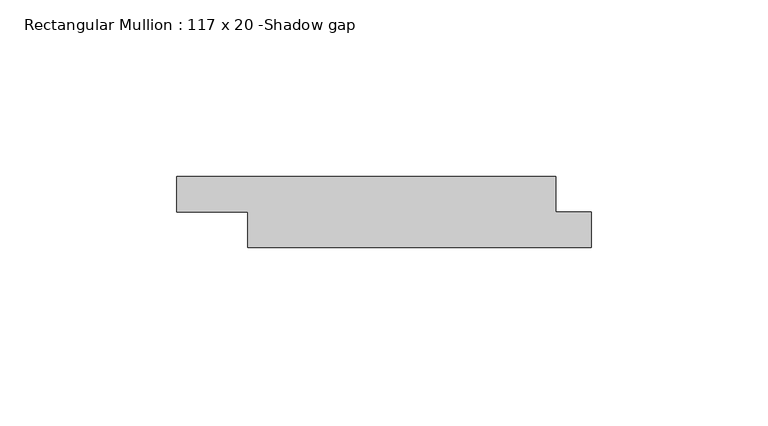
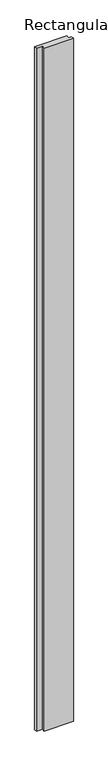
"""IFC4 building model written with IfcOpenShell, lengths in millimetres: member geometry, Rectangular Mullion : 117 x 20 -Shadow gap."""

from ifc_helpers import new_model, si_unit, frame, origin, place, context, project, spatial, polyline, outline, extrude, source, transform, mapped, element, save


def rectangular_mullion_117_x_20_shadow_gap_ce150d39(model_context):
    return source(origin(), model_context, "Body", "SweptSolid", [
        extrude(outline(polyline([(-117.0, -10.0), (-117.0, 0.0), (-10.0, 0.0), (-10.0, -10.0), (0.0, -10.0), (0.0, -20.0), (-97.0, -20.0), (-97.0, -10.0), (-117.0, -10.0)])), frame((0.0, 0.0, -2400.0), z_axis=(0.0, 0.0, 1.0), x_axis=(1.0, 0.0, 0.0)), (0.0, 0.0, 1.0), 2400.0),
    ])


if __name__ == "__main__":
    model = new_model("IFC4")
    model_context = context("Model", 3, world=origin())
    ifc_project = project(units=[si_unit("LENGTHUNIT", "METRE", prefix="MILLI")], contexts=[model_context])
    site = spatial("IfcSite", under=ifc_project)
    building = spatial("IfcBuilding", under=site)
    placement = place(None, origin())
    rectangular_mullion_117_x_20_shadow_gap_shape = rectangular_mullion_117_x_20_shadow_gap_ce150d39(model_context)
    element("IfcMember", 1, ObjectType="Rectangular Mullion : 117 x 20 -Shadow gap", at=placement, inside=building, context=model_context, shape_type="MappedRepresentation", body=[
        mapped(rectangular_mullion_117_x_20_shadow_gap_shape, transform((0.0, 0.0, 0.0), x_axis=(1.0, 0.0, 0.0), y_axis=(0.0, 1.0, 0.0), z_axis=(0.0, 0.0, 1.0))),
    ])
    save(model, "model.ifc")
